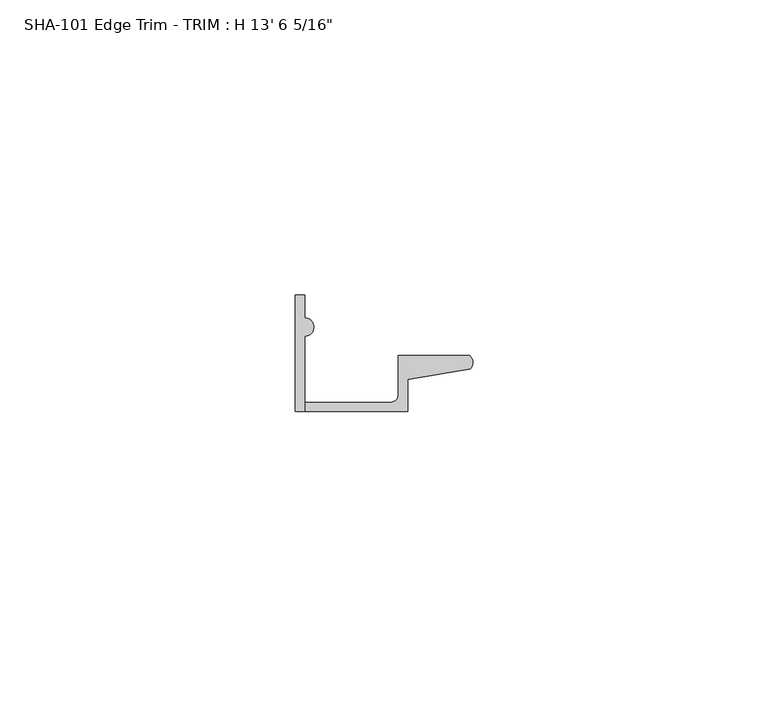
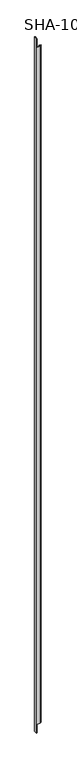
"""IFC4 building model written with IfcOpenShell, lengths in millimetres: proxy geometry."""

from ifc_helpers import new_model, si_unit, frame, origin, place, context, project, spatial, polyline, circle_curve, source, transform, mapped, element, save
from ifc_brep_helpers import plane_surface, cylinder_surface, revolved_surface, advanced_brep


def proxy_593049e3(model_context):
    return source(origin(), model_context, "Body", "AdvancedBrep", [
        advanced_brep(
        [(0.0, 0.0, 4122.7375), (1.5748, 0.0, 4122.7375), (1.5748, 12.7127, 4122.7375), (1.5748, 15.8623, 4122.7375), (1.5748, 19.7327081, 4122.7375), (0.0, 19.7327081, 4122.7375), (1.5748, 0.0, 0.0), (0.0, 0.0, 0.0), (0.0, 19.7327081, 0.0), (1.5748, 19.7327081, 0.0), (1.5748, 15.8623, 0.0), (1.5748, 12.7127, 0.0), (1.5748, 0.0, 50.8), (19.0246, 0.0, 50.8), (19.0246, 0.0, 4071.9375), (1.5748, 0.0, 4071.9375), (19.0246, 5.392657, 50.8), (19.0246, 5.392657, 4071.9375), (29.6006869, 7.2036308, 50.8), (29.6006869, 7.2036308, 4071.9375), (29.5346031, 9.525, 50.8), (29.5346031, 9.525, 4071.9375), (17.4498, 9.525, 50.8), (17.4498, 9.525, 4071.9375), (17.4498, 2.8448, 50.8), (17.4498, 2.8448, 4071.9375), (16.1798, 1.5748, 50.8), (16.1798, 1.5748, 4071.9375), (1.5748, 1.5748, 50.8), (1.5748, 1.5748, 4071.9375)],
        [
            (0, 1),
            (1, 2),
            (2, 3, circle_curve(frame((1.5748, 14.2875, 4122.7375), z_axis=(0.0, 0.0, 1.0), x_axis=(0.0, 1.0, 0.0)), 1.5748)),
            (3, 4),
            (4, 5),
            (5, 0),
            (6, 7),
            (7, 8),
            (8, 9),
            (9, 10),
            (10, 11, circle_curve(frame((1.5748, 14.2875, 0.0), z_axis=(0.0, 0.0, -1.0), x_axis=(0.0, 1.0, 0.0)), 1.5748)),
            (11, 6),
            (2, 11),
            (10, 3),
            (9, 4),
            (8, 5),
            (7, 0),
            (6, 12),
            (12, 13),
            (13, 14),
            (14, 15),
            (15, 1),
            (13, 16),
            (16, 17),
            (17, 14),
            (16, 18),
            (18, 19),
            (19, 17),
            (18, 20, circle_curve(frame((28.4438454, 8.3323235, 50.8), z_axis=(0.0, 0.0, 1.0), x_axis=(0.0, 1.0, 0.0)), 1.6162393)),
            (20, 21),
            (21, 19, circle_curve(frame((28.4438454, 8.3323235, 4071.9375), z_axis=(0.0, 0.0, -1.0), x_axis=(0.0, 1.0, 0.0)), 1.6162393)),
            (20, 22),
            (22, 23),
            (23, 21),
            (22, 24),
            (24, 25),
            (25, 23),
            (24, 26, circle_curve(frame((16.1798, 2.8448, 50.8), z_axis=(0.0, 0.0, -1.0), x_axis=(0.0, 1.0, 0.0)), 1.27)),
            (26, 27),
            (27, 25, circle_curve(frame((16.1798, 2.8448, 4071.9375), z_axis=(0.0, 0.0, 1.0), x_axis=(0.0, 1.0, 0.0)), 1.27)),
            (26, 28),
            (28, 29),
            (29, 27),
            (15, 29),
            (28, 12),
        ],
        [
            plane_surface(frame((1.5748, 12.7127, 4122.7375), z_axis=(0.0, 0.0, 1.0), x_axis=(0.0, -1.0, 0.0))),
            plane_surface(frame((1.5748, 12.7127, 0.0), z_axis=(0.0, 0.0, -1.0), x_axis=(0.0, 1.0, 0.0))),
            cylinder_surface(frame((1.5748, 14.2875, 0.0), z_axis=(0.0, 0.0, 1.0), x_axis=(0.0, 1.0, 0.0)), 1.5748),
            plane_surface(frame((1.5748, 19.7327081, 4122.7375), z_axis=(1.0, 0.0, 0.0), x_axis=(0.0, 0.0, -1.0))),
            plane_surface(frame((0.0, 19.7327081, 4122.7375), z_axis=(0.0, 1.0, 0.0), x_axis=(0.0, 0.0, -1.0))),
            plane_surface(frame((0.0, 0.0, 4122.7375), z_axis=(-1.0, 0.0, 0.0), x_axis=(0.0, 0.0, -1.0))),
            plane_surface(frame((19.0246, 0.0, 4122.7375), z_axis=(0.0, -1.0, 0.0), x_axis=(0.0, 0.0, -1.0))),
            plane_surface(frame((19.0246, 5.392657, 4122.7375), z_axis=(1.0, 0.0, 0.0), x_axis=(0.0, 0.0, -1.0))),
            plane_surface(frame((29.6006869, 7.2036308, 4122.7375), z_axis=(0.168776431404418, -0.9856543593990694, 0.0), x_axis=(0.0, 0.0, -1.0))),
            cylinder_surface(frame((28.4438454, 8.3323235, 0.0), z_axis=(0.0, 0.0, 1.0), x_axis=(0.0, 1.0, 0.0)), 1.6162393),
            plane_surface(frame((17.4498, 9.525, 4122.7375), z_axis=(0.0, 1.0, 0.0), x_axis=(0.0, 0.0, -1.0))),
            plane_surface(frame((17.4498, 2.8448, 4122.7375), z_axis=(-1.0, 0.0, 0.0), x_axis=(0.0, 0.0, -1.0))),
            revolved_surface(polyline([(16.1798, 4.114800000000001, 50.8), (16.1798, 4.114800000000001, 4071.9375)]), (16.1798, 2.8448, 0.0), (0.0, 0.0, -1.0)),
            plane_surface(frame((1.5748, 1.5748, 4122.7375), z_axis=(0.0, 1.0, 0.0), x_axis=(0.0, 0.0, -1.0))),
            plane_surface(frame((1.5748, 12.7127, 4122.7375), z_axis=(1.0, 0.0, 0.0), x_axis=(0.0, 0.0, -1.0))),
            plane_surface(frame((1.5748, 9.525, 4071.9375), z_axis=(0.0, 0.0, 1.0), x_axis=(0.0, -1.0, 0.0))),
            plane_surface(frame((30.1393415, 9.525, 50.8), z_axis=(0.0, 0.0, -1.0), x_axis=(0.0, -1.0, 0.0))),
        ],
        [
            (0, [[1, 2, 3, 4, 5, 6]]),
            (1, [[7, 8, 9, 10, 11, 12]]),
            (2, [[13, -11, 14, -3]]),
            (3, [[-14, -10, 15, -4]]),
            (4, [[-15, -9, 16, -5]]),
            (5, [[-16, -8, 17, -6]]),
            (6, [[-7, 18, 19, 20, 21, 22, -1, -17]]),
            (7, [[23, 24, 25, -20]]),
            (8, [[26, 27, 28, -24]]),
            (9, [[29, 30, 31, -27]]),
            (10, [[32, 33, 34, -30]]),
            (11, [[35, 36, 37, -33]]),
            (12, [[38, 39, 40, -36]]),
            (13, [[41, 42, 43, -39]]),
            (14, [[-2, -22, 44, -42, 45, -18, -12, -13]]),
            (15, [[-21, -25, -28, -31, -34, -37, -40, -43, -44]]),
            (16, [[-41, -38, -35, -32, -29, -26, -23, -19, -45]]),
        ],
    ),
    ])


if __name__ == "__main__":
    model = new_model("IFC4")
    model_context = context("Model", 3, world=origin())
    ifc_project = project(units=[si_unit("LENGTHUNIT", "METRE", prefix="MILLI")], contexts=[model_context])
    site = spatial("IfcSite", under=ifc_project)
    building = spatial("IfcBuilding", under=site)
    placement = place(None, origin())
    proxy_shape = proxy_593049e3(model_context)
    element("IfcBuildingElementProxy", 1, Name="SHA-101 Edge Trim - TRIM : H 13' 6 5/16\"", ObjectType="SHA-101 Edge Trim - TRIM : H 13' 6 5/16\"", at=placement, inside=building, context=model_context, shape_type="MappedRepresentation", body=[
        mapped(proxy_shape, transform((0.0, 0.0, 0.0), x_axis=(1.0, 0.0, 0.0), y_axis=(0.0, 1.0, 0.0), z_axis=(0.0, 0.0, 1.0))),
    ])
    save(model, "model.ifc")
